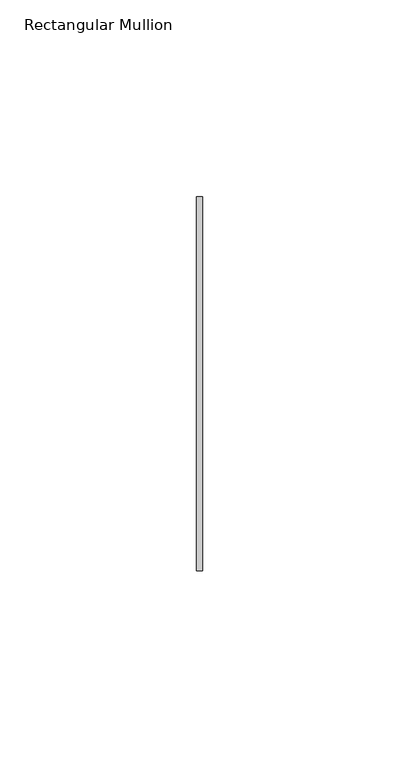
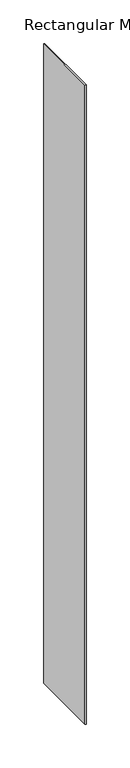
"""IFC4 building model written with IfcOpenShell, lengths in millimetres: member geometry, Rectangular Mullion."""

import ifcopenshell
import ifcopenshell.guid

model = None  # the IFC model being written
_history = None  # IfcOwnerHistory: only IFC2X3 demands one
_inside = {}  # id of a spatial element -> (the spatial element, [elements in it])
_under = {}  # id of a project, library or spatial element -> (it, [spatial elements below it])
_declared = {}  # id of a project -> (the project, [libraries it declares])
_typed = {}  # id of a type object -> (the type object, [elements of that type])
_made_of = {}  # id of a material, layer set ... -> (it, [elements and type objects made of it])


def new_model(schema):
    """Start an empty IFC model of exactly this schema.

    Asked for "IFC4X3", IfcOpenShell would pick the latest addendum, in which some entities
    have other attributes; the version numbers below select the first issue.
    IFC2X3 requires an IfcOwnerHistory on every rooted entity: one is made here for all.
    """
    global model, _history
    if schema == "IFC4X3":
        model = ifcopenshell.file(schema_version=(4, 3, 0, 0))
    else:
        model = ifcopenshell.file(schema=schema)
    _inside.clear()
    _under.clear()
    _declared.clear()
    _typed.clear()
    _made_of.clear()
    _history = None
    if model.schema == "IFC2X3":
        org = make("IfcOrganization", Name="unknown")
        user = make(
            "IfcPersonAndOrganization",
            ThePerson=make("IfcPerson", FamilyName="unknown"),
            TheOrganization=org,
        )
        app = make(
            "IfcApplication",
            ApplicationDeveloper=org,
            Version="unknown",
            ApplicationFullName="unknown",
            ApplicationIdentifier="unknown",
        )
        _history = make(
            "IfcOwnerHistory",
            OwningUser=user,
            OwningApplication=app,
            ChangeAction="ADDED",
            CreationDate=0,
        )
    return model


def make(cls, **values):
    """One entity of the class cls with the attributes given. An attribute that is None is left unset."""
    return model.create_entity(
        cls, **{name: value for name, value in values.items() if value is not None}
    )


def rooted(cls, **values):
    """An entity with a GlobalId (a new one), such as an element, a storey or a relation."""
    return make(cls, GlobalId=ifcopenshell.guid.new(), OwnerHistory=_history, **values)


def si_unit(unit_type, name, prefix=None):
    """IfcSIUnit, for example si_unit("LENGTHUNIT", "METRE", prefix="MILLI")."""
    return make("IfcSIUnit", UnitType=unit_type, Prefix=prefix, Name=name)


def assignment(units):
    """IfcUnitAssignment: the units of a project."""
    return None if units is None else make("IfcUnitAssignment", Units=units)


def point(xyz):
    """IfcCartesianPoint."""
    return None if xyz is None else make("IfcCartesianPoint", Coordinates=xyz)


def direction(xyz):
    """IfcDirection."""
    return None if xyz is None else make("IfcDirection", DirectionRatios=xyz)


def frame(location, z_axis=None, x_axis=None):
    """IfcAxis2Placement3D, a coordinate frame: its origin and axes. An axis left out is left unset."""
    return make(
        "IfcAxis2Placement3D",
        Location=point(location),
        Axis=direction(z_axis),
        RefDirection=direction(x_axis),
    )


def origin():
    """The frame at (0, 0, 0) with its axes left unset."""
    return frame((0.0, 0.0, 0.0))


def place(relative_to, where):
    """IfcLocalPlacement: puts the frame where relative to a parent placement (None: the world)."""
    return make(
        "IfcLocalPlacement", PlacementRelTo=relative_to, RelativePlacement=where
    )


def context(
    kind, dimensions, precision=None, world=None, true_north=None, identifier=None
):
    """IfcGeometricRepresentationContext, for example the 3D "Model" context."""
    return make(
        "IfcGeometricRepresentationContext",
        ContextIdentifier=identifier,
        ContextType=kind,
        CoordinateSpaceDimension=dimensions,
        Precision=precision,
        WorldCoordinateSystem=world,
        TrueNorth=true_north,
    )


def project(units=None, contexts=None):
    """IfcProject with its units and contexts."""
    return rooted(
        "IfcProject",
        Name="project",
        RepresentationContexts=contexts,
        UnitsInContext=assignment(units),
    )


def spatial(cls, under=None, at=None, **own):
    """A site, building, storey or space (cls), placed at a placement, below another one or the project."""
    s = rooted(cls, ObjectPlacement=at, **own)
    if under is not None:
        _under.setdefault(under.id(), (under, []))[1].append(s)
    return s


def polyline(points):
    """IfcPolyline through the points."""
    return make("IfcPolyline", Points=[point(p) for p in points])


def outline(outer, holes=None, kind="AREA"):
    """IfcArbitraryClosedProfileDef: a profile drawn as a closed curve; with holes, ...WithVoids."""
    if holes is None:
        return make("IfcArbitraryClosedProfileDef", ProfileType=kind, OuterCurve=outer)
    return make(
        "IfcArbitraryProfileDefWithVoids",
        ProfileType=kind,
        OuterCurve=outer,
        InnerCurves=holes,
    )


def extrude(swept, where, along, depth):
    """IfcExtrudedAreaSolid: the profile swept, set in the frame where, extruded along a direction by depth."""
    return make(
        "IfcExtrudedAreaSolid",
        SweptArea=swept,
        Position=where,
        ExtrudedDirection=direction(along),
        Depth=depth,
    )


def shape(context_of_items, identifier, shape_type, items):
    """IfcShapeRepresentation: the items that make up one representation, for example the "Body"."""
    return make(
        "IfcShapeRepresentation",
        ContextOfItems=context_of_items,
        RepresentationIdentifier=identifier,
        RepresentationType=shape_type,
        Items=items,
    )


def source(mapping_origin, context_of_items, identifier, shape_type, items):
    """IfcRepresentationMap: a shape defined once, which mapped items show again and again."""
    return make(
        "IfcRepresentationMap",
        MappingOrigin=mapping_origin,
        MappedRepresentation=shape(context_of_items, identifier, shape_type, items),
    )


def transform(
    local_origin,
    x_axis=None,
    y_axis=None,
    z_axis=None,
    scale=None,
    scale2=None,
    scale3=None,
    uniform=True,
):
    """IfcCartesianTransformationOperator3D, or its non-uniform kind. x_axis, y_axis, z_axis: its Axis1, 2, 3."""
    if uniform:
        return make(
            "IfcCartesianTransformationOperator3D",
            Axis1=direction(x_axis),
            Axis2=direction(y_axis),
            LocalOrigin=point(local_origin),
            Scale=scale,
            Axis3=direction(z_axis),
        )
    return make(
        "IfcCartesianTransformationOperator3DnonUniform",
        Axis1=direction(x_axis),
        Axis2=direction(y_axis),
        LocalOrigin=point(local_origin),
        Scale=scale,
        Axis3=direction(z_axis),
        Scale2=scale2,
        Scale3=scale3,
    )


def mapped(mapping_source, mapping_target):
    """IfcMappedItem: shows the shape of a source again, moved by a transform."""
    return make(
        "IfcMappedItem", MappingSource=mapping_source, MappingTarget=mapping_target
    )


def made_of(thing, what):
    """Note that an element or type object is made of a material, layer set ...; save() writes the relation."""
    if what is not None:
        _made_of.setdefault(what.id(), (what, []))[1].append(thing)
    return thing


def element(
    cls,
    number,
    at=None,
    inside=None,
    cuts=None,
    type_object=None,
    material=None,
    context=None,
    identifier="Body",
    shape_type=None,
    held_by="IfcProductDefinitionShape",
    body=None,
    shapes=None,
    **own,
):
    """One element of the class cls, such as IfcWall. Its Tag is "e" and its number.

    at: its placement. inside: the storey or other place that contains it. cuts: it is an
    opening in that element (IfcRelVoidsElement). A single representation is given by context,
    identifier, shape_type and body (its items); several are given by shapes. held_by: the class
    of the entity that holds the representations. save() writes the other relations.
    """
    e = rooted(cls, Tag="e%d" % number, ObjectPlacement=at, **own)
    if body is not None:
        shapes = [shape(context, identifier, shape_type, body)]
    if shapes is not None:
        e.Representation = make(held_by, Representations=shapes)
    if inside is not None:
        _inside.setdefault(inside.id(), (inside, []))[1].append(e)
    if cuts is not None:
        rooted(
            "IfcRelVoidsElement", RelatingBuildingElement=cuts, RelatedOpeningElement=e
        )
    if type_object is not None:
        _typed.setdefault(type_object.id(), (type_object, []))[1].append(e)
    return made_of(e, material)


def aggregate(whole, parts):
    """IfcRelAggregates: a whole, such as a stair, and the parts it consists of."""
    return rooted("IfcRelAggregates", RelatingObject=whole, RelatedObjects=parts)


def save(model, path):
    """Write the relations noted so far, then the file.

    IfcRelAggregates (storeys below a building ...), IfcRelContainedInSpatialStructure (elements
    in a storey), IfcRelDefinesByType, IfcRelAssociatesMaterial and IfcRelDeclares: one each for
    every whole, place, type object, material and project.
    """
    for whole, parts in _under.values():
        aggregate(whole, parts)
    for where, things in _inside.values():
        rooted(
            "IfcRelContainedInSpatialStructure",
            RelatedElements=things,
            RelatingStructure=where,
        )
    for kind, things in _typed.values():
        rooted("IfcRelDefinesByType", RelatedObjects=things, RelatingType=kind)
    for what, things in _made_of.values():
        rooted("IfcRelAssociatesMaterial", RelatedObjects=things, RelatingMaterial=what)
    for by, libraries in _declared.values():
        rooted("IfcRelDeclares", RelatingContext=by, RelatedDefinitions=libraries)
    model.write(path)


def rectangular_mullion_f6eb0cfe(model_context):
    return source(origin(), model_context, "Body", "SweptSolid", [
        extrude(outline(polyline([(0.0, 47.625), (0.0, -47.625), (-1.5875, -47.625), (-1.5875, 47.625), (0.0, 47.625)])), frame((0.0, 0.0, -896.62), z_axis=(0.0, 0.0, 1.0), x_axis=(1.0, 0.0, 0.0)), (0.0, 0.0, 1.0), 896.62),
    ])


if __name__ == "__main__":
    model = new_model("IFC4")
    model_context = context("Model", 3, world=origin())
    ifc_project = project(units=[si_unit("LENGTHUNIT", "METRE", prefix="MILLI")], contexts=[model_context])
    site = spatial("IfcSite", under=ifc_project)
    building = spatial("IfcBuilding", under=site)
    placement = place(None, origin())
    rectangular_mullion_shape = rectangular_mullion_f6eb0cfe(model_context)
    element("IfcMember", 1, ObjectType="Rectangular Mullion", at=placement, inside=building, context=model_context, shape_type="MappedRepresentation", body=[
        mapped(rectangular_mullion_shape, transform((0.0, 0.0, 0.0), x_axis=(1.0, 0.0, 0.0), y_axis=(0.0, 1.0, 0.0), z_axis=(0.0, 0.0, 1.0))),
    ])
    save(model, "model.ifc")
